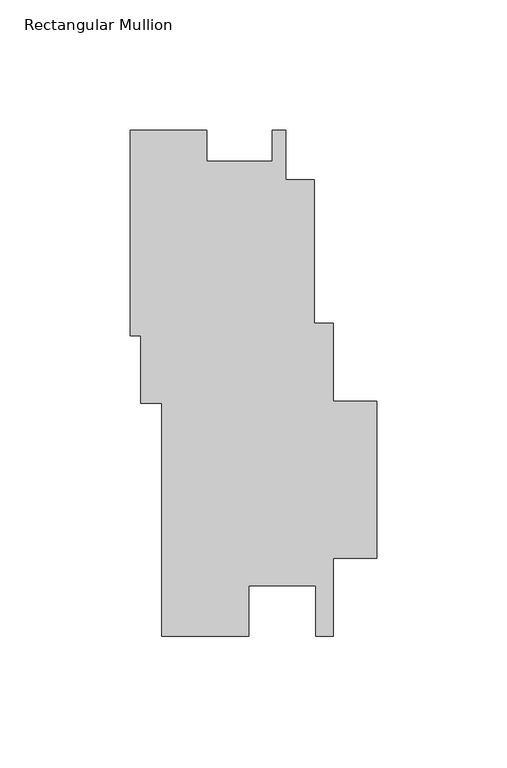
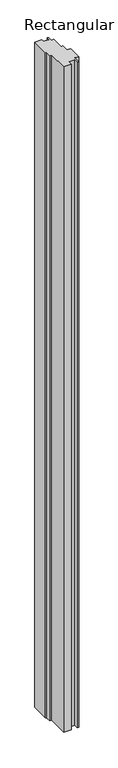
"""IFC4 building model written with IfcOpenShell, lengths in millimetres: member geometry, Rectangular Mullion."""

from ifc_helpers import new_model, si_unit, frame, origin, place, context, project, spatial, polyline, outline, extrude, source, transform, mapped, element, save


def rectangular_mullion_41ec8f68(model_context):
    return source(origin(), model_context, "Body", "SweptSolid", [
        extrude(outline(polyline([(-94.5818431, 15.2198717), (-94.5818431, 94.1169764), (-65.2687714, 94.1169764), (-65.2687714, 82.2431433), (-40.1146241, 82.2431433), (-40.1146241, 94.1274476), (-34.9072576, 94.1274476), (-34.9072576, 75.0761066), (-23.8828816, 75.0761066), (-23.8828816, 20.0990897), (-16.636233, 20.0990897), (-16.636233, -9.8353375), (0.0, -9.8353375), (0.0, -70.1677928), (-16.636233, -70.1677928), (-16.636233, -100.10222), (-23.4768673, -100.10222), (-23.4768673, -80.7275977), (-49.0248607, -80.7275977), (-49.0248607, -99.9832029), (-82.5557297, -99.9832029), (-82.5557297, -10.6582776), (-90.5626324, -10.6582776), (-90.5626324, 15.2198717), (-94.5818431, 15.2198717)])), frame((0.0, 0.0, -3048.0), z_axis=(0.0, 0.0, 1.0), x_axis=(1.0, 0.0, 0.0)), (0.0, 0.0, 1.0), 3048.0),
    ])


if __name__ == "__main__":
    model = new_model("IFC4")
    model_context = context("Model", 3, world=origin())
    ifc_project = project(units=[si_unit("LENGTHUNIT", "METRE", prefix="MILLI")], contexts=[model_context])
    site = spatial("IfcSite", under=ifc_project)
    building = spatial("IfcBuilding", under=site)
    placement = place(None, origin())
    rectangular_mullion_shape = rectangular_mullion_41ec8f68(model_context)
    element("IfcMember", 1, ObjectType="Rectangular Mullion", at=placement, inside=building, context=model_context, shape_type="MappedRepresentation", body=[
        mapped(rectangular_mullion_shape, transform((0.0, 0.0, 0.0), x_axis=(1.0, 0.0, 0.0), y_axis=(0.0, 1.0, 0.0), z_axis=(0.0, 0.0, 1.0))),
    ])
    save(model, "model.ifc")
